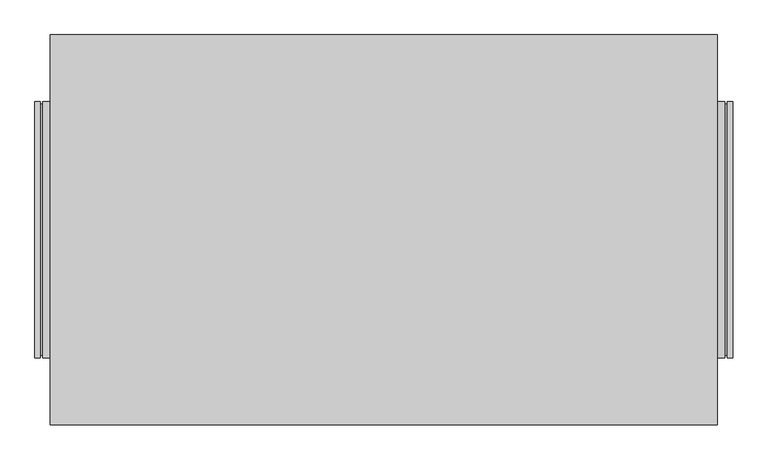
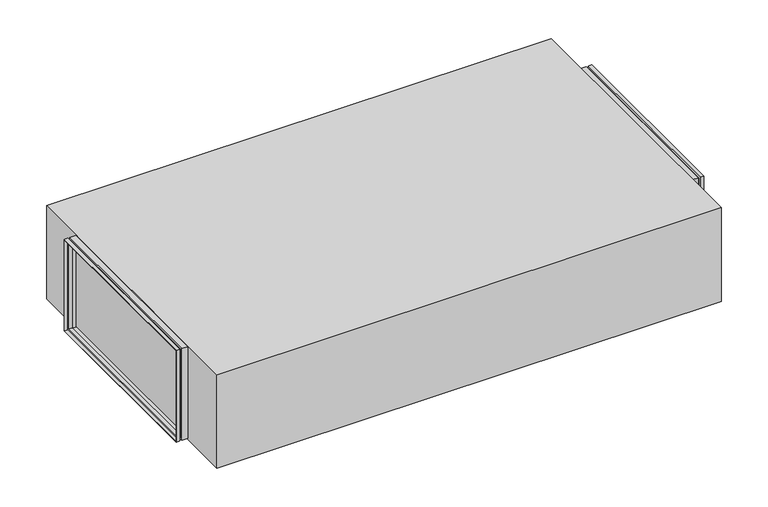
"""IFC4 building model written with IfcOpenShell, lengths in millimetres: proxy geometry."""

from ifc_helpers import new_model, si_unit, origin, origin_with_axes, place, context, project, spatial, polyline, outline, extrude, faceted_brep, source, transform, mapped, element, save


def mechanical_equipment_39bc2edb(model_context):
    return source(origin(), model_context, "Body", "SolidModel", [
        faceted_brep([(-680.0, 250.0, 252.5), (-670.0, 250.0, 252.5), (-670.0, 250.0, 2.5), (-680.0, 250.0, 2.5), (-670.0, 245.0, 247.5), (-665.0, 245.0, 247.5), (-665.0, 245.0, 7.5), (-670.0, 245.0, 7.5), (-665.0, 250.0, 252.5), (-650.0, 250.0, 252.5), (-650.0, 250.0, 2.5), (-665.0, 250.0, 2.5), (-650.0, 248.0, 250.5), (-663.0, 248.0, 250.5), (-663.0, 248.0, 4.5), (-650.0, 248.0, 4.5), (-663.0, 243.0, 245.5), (-672.0, 243.0, 245.5), (-672.0, 243.0, 9.5), (-663.0, 243.0, 9.5), (-672.0, 248.0, 250.5), (-680.0, 248.0, 250.5), (-680.0, 248.0, 4.5), (-672.0, 248.0, 4.5), (-670.0, -250.0, 2.5), (-680.0, -250.0, 2.5), (-665.0, -245.0, 7.5), (-670.0, -245.0, 7.5), (-650.0, -250.0, 2.5), (-665.0, -250.0, 2.5), (-663.0, -248.0, 4.5), (-650.0, -248.0, 4.5), (-672.0, -243.0, 9.5), (-663.0, -243.0, 9.5), (-680.0, -248.0, 4.5), (-672.0, -248.0, 4.5), (-670.0, -250.0, 252.5), (-680.0, -250.0, 252.5), (-665.0, -245.0, 247.5), (-670.0, -245.0, 247.5), (-650.0, -250.0, 252.5), (-665.0, -250.0, 252.5), (-663.0, -248.0, 250.5), (-650.0, -248.0, 250.5), (-672.0, -243.0, 245.5), (-663.0, -243.0, 245.5), (-680.0, -248.0, 250.5), (-672.0, -248.0, 250.5)], [[[0, 1, 2, 3]], [[4, 5, 6, 7]], [[8, 9, 10, 11]], [[12, 13, 14, 15]], [[16, 17, 18, 19]], [[20, 21, 22, 23]], [[3, 2, 24, 25]], [[7, 6, 26, 27]], [[11, 10, 28, 29]], [[15, 14, 30, 31]], [[19, 18, 32, 33]], [[23, 22, 34, 35]], [[25, 24, 36, 37]], [[27, 26, 38, 39]], [[29, 28, 40, 41]], [[31, 30, 42, 43]], [[33, 32, 44, 45]], [[35, 34, 46, 47]], [[37, 36, 1, 0]], [[1, 36, 24, 2], [7, 27, 39, 4]], [[39, 38, 5, 4]], [[11, 29, 41, 8], [5, 38, 26, 6]], [[41, 40, 9, 8]], [[9, 40, 28, 10], [15, 31, 43, 12]], [[43, 42, 13, 12]], [[13, 42, 30, 14], [19, 33, 45, 16]], [[45, 44, 17, 16]], [[23, 35, 47, 20], [17, 44, 32, 18]], [[47, 46, 21, 20]], [[3, 25, 37, 0], [21, 46, 34, 22]]]),
        faceted_brep([(670.0, 250.0, 252.5), (680.0, 250.0, 252.5), (680.0, 250.0, 2.5), (670.0, 250.0, 2.5), (665.0, 245.0, 247.5), (670.0, 245.0, 247.5), (670.0, 245.0, 7.5), (665.0, 245.0, 7.5), (650.0, 250.0, 252.5), (665.0, 250.0, 252.5), (665.0, 250.0, 2.5), (650.0, 250.0, 2.5), (663.0, 248.0, 250.5), (650.0, 248.0, 250.5), (650.0, 248.0, 4.5), (663.0, 248.0, 4.5), (672.0, 243.0, 245.5), (663.0, 243.0, 245.5), (663.0, 243.0, 9.5), (672.0, 243.0, 9.5), (680.0, 248.0, 250.5), (672.0, 248.0, 250.5), (672.0, 248.0, 4.5), (680.0, 248.0, 4.5), (680.0, -250.0, 2.5), (670.0, -250.0, 2.5), (670.0, -245.0, 7.5), (665.0, -245.0, 7.5), (665.0, -250.0, 2.5), (650.0, -250.0, 2.5), (650.0, -248.0, 4.5), (663.0, -248.0, 4.5), (663.0, -243.0, 9.5), (672.0, -243.0, 9.5), (672.0, -248.0, 4.5), (680.0, -248.0, 4.5), (680.0, -250.0, 252.5), (670.0, -250.0, 252.5), (670.0, -245.0, 247.5), (665.0, -245.0, 247.5), (665.0, -250.0, 252.5), (650.0, -250.0, 252.5), (650.0, -248.0, 250.5), (663.0, -248.0, 250.5), (663.0, -243.0, 245.5), (672.0, -243.0, 245.5), (672.0, -248.0, 250.5), (680.0, -248.0, 250.5)], [[[0, 1, 2, 3]], [[4, 5, 6, 7]], [[8, 9, 10, 11]], [[12, 13, 14, 15]], [[16, 17, 18, 19]], [[20, 21, 22, 23]], [[3, 2, 24, 25]], [[7, 6, 26, 27]], [[11, 10, 28, 29]], [[15, 14, 30, 31]], [[19, 18, 32, 33]], [[23, 22, 34, 35]], [[25, 24, 36, 37]], [[27, 26, 38, 39]], [[29, 28, 40, 41]], [[31, 30, 42, 43]], [[33, 32, 44, 45]], [[35, 34, 46, 47]], [[37, 36, 1, 0]], [[3, 25, 37, 0], [5, 38, 26, 6]], [[39, 38, 5, 4]], [[9, 40, 28, 10], [7, 27, 39, 4]], [[41, 40, 9, 8]], [[11, 29, 41, 8], [13, 42, 30, 14]], [[43, 42, 13, 12]], [[15, 31, 43, 12], [17, 44, 32, 18]], [[45, 44, 17, 16]], [[21, 46, 34, 22], [19, 33, 45, 16]], [[47, 46, 21, 20]], [[1, 36, 24, 2], [23, 35, 47, 20]]]),
        extrude(outline(polyline([(-650.0, -380.0), (-650.0, 380.0), (650.0, 380.0), (650.0, -380.0), (-650.0, -380.0)])), origin_with_axes(), (0.0, 0.0, 1.0), 255.0),
    ])


if __name__ == "__main__":
    model = new_model("IFC4")
    model_context = context("Model", 3, world=origin())
    ifc_project = project(units=[si_unit("LENGTHUNIT", "METRE", prefix="MILLI")], contexts=[model_context])
    site = spatial("IfcSite", under=ifc_project)
    building = spatial("IfcBuilding", under=site)
    placement = place(None, origin())
    mechanical_equipment_shape = mechanical_equipment_39bc2edb(model_context)
    element("IfcBuildingElementProxy", 1, Name="Mechanical Equipment", at=placement, inside=building, context=model_context, shape_type="MappedRepresentation", body=[
        mapped(mechanical_equipment_shape, transform((0.0, 0.0, 0.0), x_axis=(1.0, 0.0, 0.0), y_axis=(0.0, 1.0, 0.0), z_axis=(0.0, 0.0, 1.0))),
    ])
    save(model, "model.ifc")
